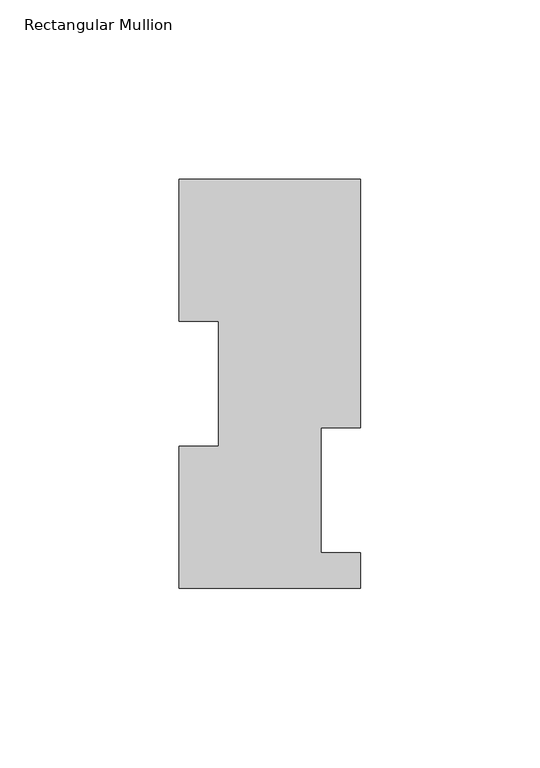
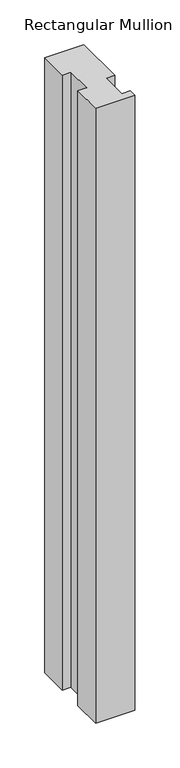
"""IFC4 building model written with IfcOpenShell, lengths in millimetres: member geometry, Rectangular Mullion."""

import ifcopenshell
import ifcopenshell.guid

model = None  # the IFC model being written
_history = None  # IfcOwnerHistory: only IFC2X3 demands one
_inside = {}  # id of a spatial element -> (the spatial element, [elements in it])
_under = {}  # id of a project, library or spatial element -> (it, [spatial elements below it])
_declared = {}  # id of a project -> (the project, [libraries it declares])
_typed = {}  # id of a type object -> (the type object, [elements of that type])
_made_of = {}  # id of a material, layer set ... -> (it, [elements and type objects made of it])


def new_model(schema):
    """Start an empty IFC model of exactly this schema.

    Asked for "IFC4X3", IfcOpenShell would pick the latest addendum, in which some entities
    have other attributes; the version numbers below select the first issue.
    IFC2X3 requires an IfcOwnerHistory on every rooted entity: one is made here for all.
    """
    global model, _history
    if schema == "IFC4X3":
        model = ifcopenshell.file(schema_version=(4, 3, 0, 0))
    else:
        model = ifcopenshell.file(schema=schema)
    _inside.clear()
    _under.clear()
    _declared.clear()
    _typed.clear()
    _made_of.clear()
    _history = None
    if model.schema == "IFC2X3":
        org = make("IfcOrganization", Name="unknown")
        user = make(
            "IfcPersonAndOrganization",
            ThePerson=make("IfcPerson", FamilyName="unknown"),
            TheOrganization=org,
        )
        app = make(
            "IfcApplication",
            ApplicationDeveloper=org,
            Version="unknown",
            ApplicationFullName="unknown",
            ApplicationIdentifier="unknown",
        )
        _history = make(
            "IfcOwnerHistory",
            OwningUser=user,
            OwningApplication=app,
            ChangeAction="ADDED",
            CreationDate=0,
        )
    return model


def make(cls, **values):
    """One entity of the class cls with the attributes given. An attribute that is None is left unset."""
    return model.create_entity(
        cls, **{name: value for name, value in values.items() if value is not None}
    )


def rooted(cls, **values):
    """An entity with a GlobalId (a new one), such as an element, a storey or a relation."""
    return make(cls, GlobalId=ifcopenshell.guid.new(), OwnerHistory=_history, **values)


def si_unit(unit_type, name, prefix=None):
    """IfcSIUnit, for example si_unit("LENGTHUNIT", "METRE", prefix="MILLI")."""
    return make("IfcSIUnit", UnitType=unit_type, Prefix=prefix, Name=name)


def assignment(units):
    """IfcUnitAssignment: the units of a project."""
    return None if units is None else make("IfcUnitAssignment", Units=units)


def point(xyz):
    """IfcCartesianPoint."""
    return None if xyz is None else make("IfcCartesianPoint", Coordinates=xyz)


def direction(xyz):
    """IfcDirection."""
    return None if xyz is None else make("IfcDirection", DirectionRatios=xyz)


def frame(location, z_axis=None, x_axis=None):
    """IfcAxis2Placement3D, a coordinate frame: its origin and axes. An axis left out is left unset."""
    return make(
        "IfcAxis2Placement3D",
        Location=point(location),
        Axis=direction(z_axis),
        RefDirection=direction(x_axis),
    )


def origin():
    """The frame at (0, 0, 0) with its axes left unset."""
    return frame((0.0, 0.0, 0.0))


def place(relative_to, where):
    """IfcLocalPlacement: puts the frame where relative to a parent placement (None: the world)."""
    return make(
        "IfcLocalPlacement", PlacementRelTo=relative_to, RelativePlacement=where
    )


def context(
    kind, dimensions, precision=None, world=None, true_north=None, identifier=None
):
    """IfcGeometricRepresentationContext, for example the 3D "Model" context."""
    return make(
        "IfcGeometricRepresentationContext",
        ContextIdentifier=identifier,
        ContextType=kind,
        CoordinateSpaceDimension=dimensions,
        Precision=precision,
        WorldCoordinateSystem=world,
        TrueNorth=true_north,
    )


def project(units=None, contexts=None):
    """IfcProject with its units and contexts."""
    return rooted(
        "IfcProject",
        Name="project",
        RepresentationContexts=contexts,
        UnitsInContext=assignment(units),
    )


def spatial(cls, under=None, at=None, **own):
    """A site, building, storey or space (cls), placed at a placement, below another one or the project."""
    s = rooted(cls, ObjectPlacement=at, **own)
    if under is not None:
        _under.setdefault(under.id(), (under, []))[1].append(s)
    return s


def polyline(points):
    """IfcPolyline through the points."""
    return make("IfcPolyline", Points=[point(p) for p in points])


def outline(outer, holes=None, kind="AREA"):
    """IfcArbitraryClosedProfileDef: a profile drawn as a closed curve; with holes, ...WithVoids."""
    if holes is None:
        return make("IfcArbitraryClosedProfileDef", ProfileType=kind, OuterCurve=outer)
    return make(
        "IfcArbitraryProfileDefWithVoids",
        ProfileType=kind,
        OuterCurve=outer,
        InnerCurves=holes,
    )


def extrude(swept, where, along, depth):
    """IfcExtrudedAreaSolid: the profile swept, set in the frame where, extruded along a direction by depth."""
    return make(
        "IfcExtrudedAreaSolid",
        SweptArea=swept,
        Position=where,
        ExtrudedDirection=direction(along),
        Depth=depth,
    )


def shape(context_of_items, identifier, shape_type, items):
    """IfcShapeRepresentation: the items that make up one representation, for example the "Body"."""
    return make(
        "IfcShapeRepresentation",
        ContextOfItems=context_of_items,
        RepresentationIdentifier=identifier,
        RepresentationType=shape_type,
        Items=items,
    )


def source(mapping_origin, context_of_items, identifier, shape_type, items):
    """IfcRepresentationMap: a shape defined once, which mapped items show again and again."""
    return make(
        "IfcRepresentationMap",
        MappingOrigin=mapping_origin,
        MappedRepresentation=shape(context_of_items, identifier, shape_type, items),
    )


def transform(
    local_origin,
    x_axis=None,
    y_axis=None,
    z_axis=None,
    scale=None,
    scale2=None,
    scale3=None,
    uniform=True,
):
    """IfcCartesianTransformationOperator3D, or its non-uniform kind. x_axis, y_axis, z_axis: its Axis1, 2, 3."""
    if uniform:
        return make(
            "IfcCartesianTransformationOperator3D",
            Axis1=direction(x_axis),
            Axis2=direction(y_axis),
            LocalOrigin=point(local_origin),
            Scale=scale,
            Axis3=direction(z_axis),
        )
    return make(
        "IfcCartesianTransformationOperator3DnonUniform",
        Axis1=direction(x_axis),
        Axis2=direction(y_axis),
        LocalOrigin=point(local_origin),
        Scale=scale,
        Axis3=direction(z_axis),
        Scale2=scale2,
        Scale3=scale3,
    )


def mapped(mapping_source, mapping_target):
    """IfcMappedItem: shows the shape of a source again, moved by a transform."""
    return make(
        "IfcMappedItem", MappingSource=mapping_source, MappingTarget=mapping_target
    )


def made_of(thing, what):
    """Note that an element or type object is made of a material, layer set ...; save() writes the relation."""
    if what is not None:
        _made_of.setdefault(what.id(), (what, []))[1].append(thing)
    return thing


def element(
    cls,
    number,
    at=None,
    inside=None,
    cuts=None,
    type_object=None,
    material=None,
    context=None,
    identifier="Body",
    shape_type=None,
    held_by="IfcProductDefinitionShape",
    body=None,
    shapes=None,
    **own,
):
    """One element of the class cls, such as IfcWall. Its Tag is "e" and its number.

    at: its placement. inside: the storey or other place that contains it. cuts: it is an
    opening in that element (IfcRelVoidsElement). A single representation is given by context,
    identifier, shape_type and body (its items); several are given by shapes. held_by: the class
    of the entity that holds the representations. save() writes the other relations.
    """
    e = rooted(cls, Tag="e%d" % number, ObjectPlacement=at, **own)
    if body is not None:
        shapes = [shape(context, identifier, shape_type, body)]
    if shapes is not None:
        e.Representation = make(held_by, Representations=shapes)
    if inside is not None:
        _inside.setdefault(inside.id(), (inside, []))[1].append(e)
    if cuts is not None:
        rooted(
            "IfcRelVoidsElement", RelatingBuildingElement=cuts, RelatedOpeningElement=e
        )
    if type_object is not None:
        _typed.setdefault(type_object.id(), (type_object, []))[1].append(e)
    return made_of(e, material)


def aggregate(whole, parts):
    """IfcRelAggregates: a whole, such as a stair, and the parts it consists of."""
    return rooted("IfcRelAggregates", RelatingObject=whole, RelatedObjects=parts)


def save(model, path):
    """Write the relations noted so far, then the file.

    IfcRelAggregates (storeys below a building ...), IfcRelContainedInSpatialStructure (elements
    in a storey), IfcRelDefinesByType, IfcRelAssociatesMaterial and IfcRelDeclares: one each for
    every whole, place, type object, material and project.
    """
    for whole, parts in _under.values():
        aggregate(whole, parts)
    for where, things in _inside.values():
        rooted(
            "IfcRelContainedInSpatialStructure",
            RelatedElements=things,
            RelatingStructure=where,
        )
    for kind, things in _typed.values():
        rooted("IfcRelDefinesByType", RelatedObjects=things, RelatingType=kind)
    for what, things in _made_of.values():
        rooted("IfcRelAssociatesMaterial", RelatedObjects=things, RelatingMaterial=what)
    for by, libraries in _declared.values():
        rooted("IfcRelDeclares", RelatingContext=by, RelatedDefinitions=libraries)
    model.write(path)


def rectangular_mullion_15c16992(model_context):
    return source(origin(), model_context, "Body", "SweptSolid", [
        extrude(outline(polyline([(-25.4, 114.0729875), (25.4, 114.0729875), (25.4, 44.6039875), (14.2875, 44.6039875), (14.2875, 9.6789875), (25.4, 9.6789875), (25.4, -0.2270125), (-25.4, -0.2270125), (-25.4, 39.4477875), (-14.2875, 39.4477875), (-14.2875, 74.3981875), (-25.4, 74.3981875), (-25.4, 114.0729875)])), frame((0.0, 0.0, -841.375), z_axis=(0.0, 0.0, 1.0), x_axis=(1.0, 0.0, 0.0)), (0.0, 0.0, 1.0), 841.375),
    ])


if __name__ == "__main__":
    model = new_model("IFC4")
    model_context = context("Model", 3, world=origin())
    ifc_project = project(units=[si_unit("LENGTHUNIT", "METRE", prefix="MILLI")], contexts=[model_context])
    site = spatial("IfcSite", under=ifc_project)
    building = spatial("IfcBuilding", under=site)
    placement = place(None, origin())
    rectangular_mullion_shape = rectangular_mullion_15c16992(model_context)
    element("IfcMember", 1, ObjectType="Rectangular Mullion", at=placement, inside=building, context=model_context, shape_type="MappedRepresentation", body=[
        mapped(rectangular_mullion_shape, transform((0.0, 0.0, 0.0), x_axis=(1.0, 0.0, 0.0), y_axis=(0.0, 1.0, 0.0), z_axis=(0.0, 0.0, 1.0))),
    ])
    save(model, "model.ifc")
